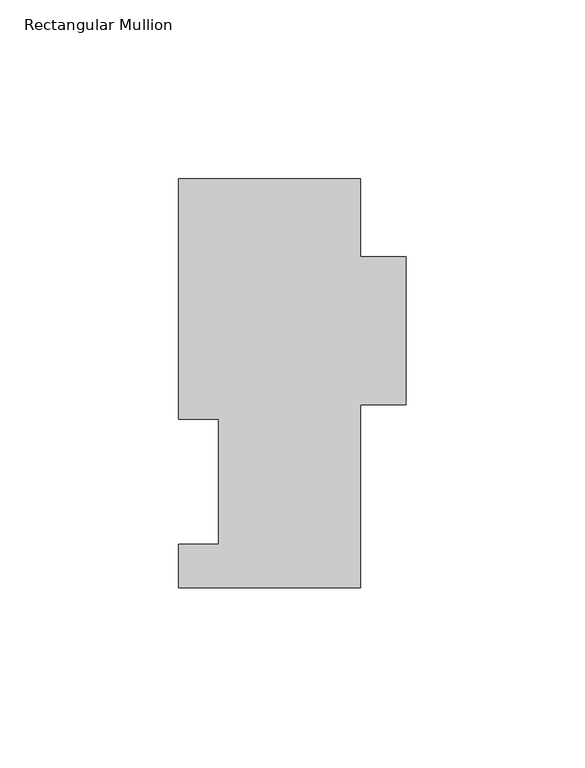
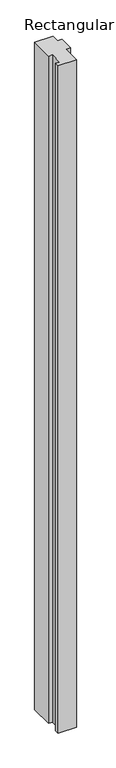
"""IFC4 building model written with IfcOpenShell, lengths in millimetres: member geometry, Rectangular Mullion."""

from ifc_helpers import new_model, si_unit, frame, origin, place, context, project, spatial, polyline, outline, extrude, source, transform, mapped, element, save


def rectangular_mullion_2659dd5a(model_context):
    return source(origin(), model_context, "Body", "SweptSolid", [
        extrude(outline(polyline([(25.4, 114.252375), (25.4, 92.433775), (38.1, 92.433775), (38.1, 51.158775), (25.4, 51.158775), (25.4, -0.047625), (-25.4, -0.047625), (-25.4, 12.144375), (-14.2875, 12.144375), (-14.2875, 47.069375), (-25.4, 47.069375), (-25.4, 114.252375), (25.4, 114.252375)])), frame((0.0, 0.0, -1974.85), z_axis=(0.0, 0.0, 1.0), x_axis=(1.0, 0.0, 0.0)), (0.0, 0.0, 1.0), 1974.85),
    ])


if __name__ == "__main__":
    model = new_model("IFC4")
    model_context = context("Model", 3, world=origin())
    ifc_project = project(units=[si_unit("LENGTHUNIT", "METRE", prefix="MILLI")], contexts=[model_context])
    site = spatial("IfcSite", under=ifc_project)
    building = spatial("IfcBuilding", under=site)
    placement = place(None, origin())
    rectangular_mullion_shape = rectangular_mullion_2659dd5a(model_context)
    element("IfcMember", 1, ObjectType="Rectangular Mullion", at=placement, inside=building, context=model_context, shape_type="MappedRepresentation", body=[
        mapped(rectangular_mullion_shape, transform((0.0, 0.0, 0.0), x_axis=(1.0, 0.0, 0.0), y_axis=(0.0, 1.0, 0.0), z_axis=(0.0, 0.0, 1.0))),
    ])
    save(model, "model.ifc")
